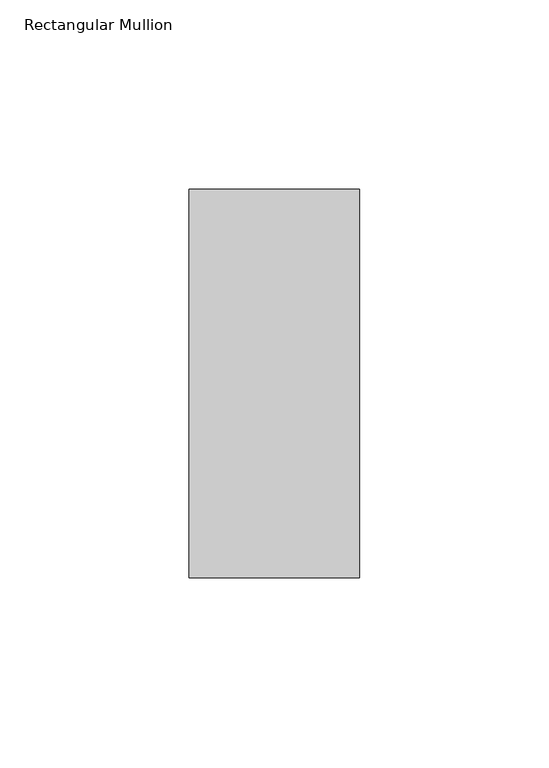
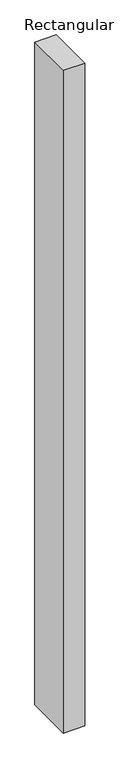
"""IFC4 building model written with IfcOpenShell, lengths in millimetres: member geometry, Rectangular Mullion."""

from ifc_helpers import new_model, si_unit, frame, origin, place, context, project, spatial, polyline, outline, extrude, source, transform, mapped, element, save


def rectangular_mullion_565478ef(model_context):
    return source(origin(), model_context, "Body", "SweptSolid", [
        extrude(outline(polyline([(0.0, 66.73125), (0.0, -35.73125), (-45.0, -35.73125), (-45.0, 66.73125), (0.0, 66.73125)])), frame((0.0, 0.0, -1465.1808809), z_axis=(0.0, 0.0, 1.0), x_axis=(1.0, 0.0, 0.0)), (0.0, 0.0, 1.0), 1465.1808809),
    ])


if __name__ == "__main__":
    model = new_model("IFC4")
    model_context = context("Model", 3, world=origin())
    ifc_project = project(units=[si_unit("LENGTHUNIT", "METRE", prefix="MILLI")], contexts=[model_context])
    site = spatial("IfcSite", under=ifc_project)
    building = spatial("IfcBuilding", under=site)
    placement = place(None, origin())
    rectangular_mullion_shape = rectangular_mullion_565478ef(model_context)
    element("IfcMember", 1, ObjectType="Rectangular Mullion", at=placement, inside=building, context=model_context, shape_type="MappedRepresentation", body=[
        mapped(rectangular_mullion_shape, transform((0.0, 0.0, 0.0), x_axis=(1.0, 0.0, 0.0), y_axis=(0.0, 1.0, 0.0), z_axis=(0.0, 0.0, 1.0))),
    ])
    save(model, "model.ifc")
